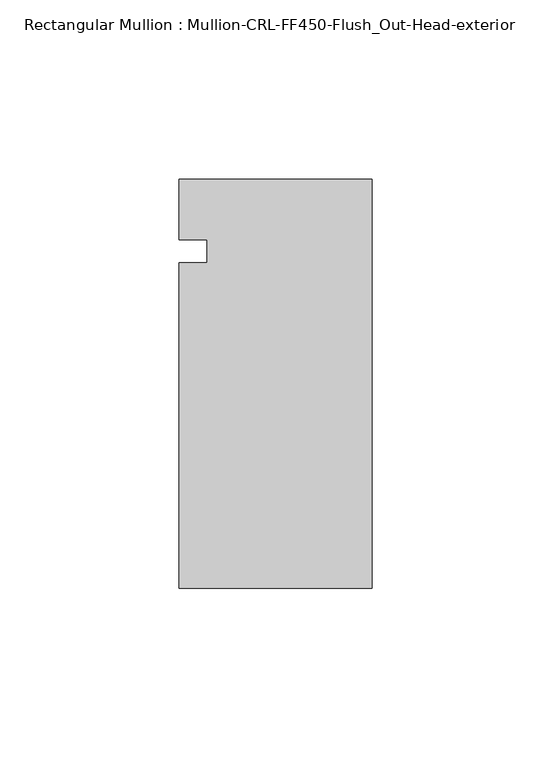
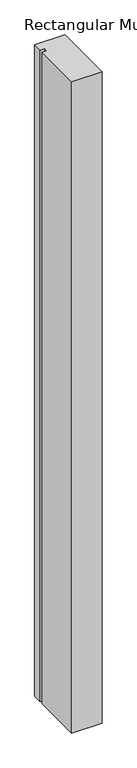
"""IFC4 building model written with IfcOpenShell, lengths in millimetres: member geometry, Rectangular Mullion : Mullion-CRL-FF450-Flush_Out-Head-exterior."""

import ifcopenshell
import ifcopenshell.guid

model = None  # the IFC model being written
_history = None  # IfcOwnerHistory: only IFC2X3 demands one
_inside = {}  # id of a spatial element -> (the spatial element, [elements in it])
_under = {}  # id of a project, library or spatial element -> (it, [spatial elements below it])
_declared = {}  # id of a project -> (the project, [libraries it declares])
_typed = {}  # id of a type object -> (the type object, [elements of that type])
_made_of = {}  # id of a material, layer set ... -> (it, [elements and type objects made of it])


def new_model(schema):
    """Start an empty IFC model of exactly this schema.

    Asked for "IFC4X3", IfcOpenShell would pick the latest addendum, in which some entities
    have other attributes; the version numbers below select the first issue.
    IFC2X3 requires an IfcOwnerHistory on every rooted entity: one is made here for all.
    """
    global model, _history
    if schema == "IFC4X3":
        model = ifcopenshell.file(schema_version=(4, 3, 0, 0))
    else:
        model = ifcopenshell.file(schema=schema)
    _inside.clear()
    _under.clear()
    _declared.clear()
    _typed.clear()
    _made_of.clear()
    _history = None
    if model.schema == "IFC2X3":
        org = make("IfcOrganization", Name="unknown")
        user = make(
            "IfcPersonAndOrganization",
            ThePerson=make("IfcPerson", FamilyName="unknown"),
            TheOrganization=org,
        )
        app = make(
            "IfcApplication",
            ApplicationDeveloper=org,
            Version="unknown",
            ApplicationFullName="unknown",
            ApplicationIdentifier="unknown",
        )
        _history = make(
            "IfcOwnerHistory",
            OwningUser=user,
            OwningApplication=app,
            ChangeAction="ADDED",
            CreationDate=0,
        )
    return model


def make(cls, **values):
    """One entity of the class cls with the attributes given. An attribute that is None is left unset."""
    return model.create_entity(
        cls, **{name: value for name, value in values.items() if value is not None}
    )


def rooted(cls, **values):
    """An entity with a GlobalId (a new one), such as an element, a storey or a relation."""
    return make(cls, GlobalId=ifcopenshell.guid.new(), OwnerHistory=_history, **values)


def si_unit(unit_type, name, prefix=None):
    """IfcSIUnit, for example si_unit("LENGTHUNIT", "METRE", prefix="MILLI")."""
    return make("IfcSIUnit", UnitType=unit_type, Prefix=prefix, Name=name)


def assignment(units):
    """IfcUnitAssignment: the units of a project."""
    return None if units is None else make("IfcUnitAssignment", Units=units)


def point(xyz):
    """IfcCartesianPoint."""
    return None if xyz is None else make("IfcCartesianPoint", Coordinates=xyz)


def direction(xyz):
    """IfcDirection."""
    return None if xyz is None else make("IfcDirection", DirectionRatios=xyz)


def frame(location, z_axis=None, x_axis=None):
    """IfcAxis2Placement3D, a coordinate frame: its origin and axes. An axis left out is left unset."""
    return make(
        "IfcAxis2Placement3D",
        Location=point(location),
        Axis=direction(z_axis),
        RefDirection=direction(x_axis),
    )


def origin():
    """The frame at (0, 0, 0) with its axes left unset."""
    return frame((0.0, 0.0, 0.0))


def place(relative_to, where):
    """IfcLocalPlacement: puts the frame where relative to a parent placement (None: the world)."""
    return make(
        "IfcLocalPlacement", PlacementRelTo=relative_to, RelativePlacement=where
    )


def context(
    kind, dimensions, precision=None, world=None, true_north=None, identifier=None
):
    """IfcGeometricRepresentationContext, for example the 3D "Model" context."""
    return make(
        "IfcGeometricRepresentationContext",
        ContextIdentifier=identifier,
        ContextType=kind,
        CoordinateSpaceDimension=dimensions,
        Precision=precision,
        WorldCoordinateSystem=world,
        TrueNorth=true_north,
    )


def project(units=None, contexts=None):
    """IfcProject with its units and contexts."""
    return rooted(
        "IfcProject",
        Name="project",
        RepresentationContexts=contexts,
        UnitsInContext=assignment(units),
    )


def spatial(cls, under=None, at=None, **own):
    """A site, building, storey or space (cls), placed at a placement, below another one or the project."""
    s = rooted(cls, ObjectPlacement=at, **own)
    if under is not None:
        _under.setdefault(under.id(), (under, []))[1].append(s)
    return s


def polyline(points):
    """IfcPolyline through the points."""
    return make("IfcPolyline", Points=[point(p) for p in points])


def outline(outer, holes=None, kind="AREA"):
    """IfcArbitraryClosedProfileDef: a profile drawn as a closed curve; with holes, ...WithVoids."""
    if holes is None:
        return make("IfcArbitraryClosedProfileDef", ProfileType=kind, OuterCurve=outer)
    return make(
        "IfcArbitraryProfileDefWithVoids",
        ProfileType=kind,
        OuterCurve=outer,
        InnerCurves=holes,
    )


def extrude(swept, where, along, depth):
    """IfcExtrudedAreaSolid: the profile swept, set in the frame where, extruded along a direction by depth."""
    return make(
        "IfcExtrudedAreaSolid",
        SweptArea=swept,
        Position=where,
        ExtrudedDirection=direction(along),
        Depth=depth,
    )


def shape(context_of_items, identifier, shape_type, items):
    """IfcShapeRepresentation: the items that make up one representation, for example the "Body"."""
    return make(
        "IfcShapeRepresentation",
        ContextOfItems=context_of_items,
        RepresentationIdentifier=identifier,
        RepresentationType=shape_type,
        Items=items,
    )


def source(mapping_origin, context_of_items, identifier, shape_type, items):
    """IfcRepresentationMap: a shape defined once, which mapped items show again and again."""
    return make(
        "IfcRepresentationMap",
        MappingOrigin=mapping_origin,
        MappedRepresentation=shape(context_of_items, identifier, shape_type, items),
    )


def transform(
    local_origin,
    x_axis=None,
    y_axis=None,
    z_axis=None,
    scale=None,
    scale2=None,
    scale3=None,
    uniform=True,
):
    """IfcCartesianTransformationOperator3D, or its non-uniform kind. x_axis, y_axis, z_axis: its Axis1, 2, 3."""
    if uniform:
        return make(
            "IfcCartesianTransformationOperator3D",
            Axis1=direction(x_axis),
            Axis2=direction(y_axis),
            LocalOrigin=point(local_origin),
            Scale=scale,
            Axis3=direction(z_axis),
        )
    return make(
        "IfcCartesianTransformationOperator3DnonUniform",
        Axis1=direction(x_axis),
        Axis2=direction(y_axis),
        LocalOrigin=point(local_origin),
        Scale=scale,
        Axis3=direction(z_axis),
        Scale2=scale2,
        Scale3=scale3,
    )


def mapped(mapping_source, mapping_target):
    """IfcMappedItem: shows the shape of a source again, moved by a transform."""
    return make(
        "IfcMappedItem", MappingSource=mapping_source, MappingTarget=mapping_target
    )


def made_of(thing, what):
    """Note that an element or type object is made of a material, layer set ...; save() writes the relation."""
    if what is not None:
        _made_of.setdefault(what.id(), (what, []))[1].append(thing)
    return thing


def element(
    cls,
    number,
    at=None,
    inside=None,
    cuts=None,
    type_object=None,
    material=None,
    context=None,
    identifier="Body",
    shape_type=None,
    held_by="IfcProductDefinitionShape",
    body=None,
    shapes=None,
    **own,
):
    """One element of the class cls, such as IfcWall. Its Tag is "e" and its number.

    at: its placement. inside: the storey or other place that contains it. cuts: it is an
    opening in that element (IfcRelVoidsElement). A single representation is given by context,
    identifier, shape_type and body (its items); several are given by shapes. held_by: the class
    of the entity that holds the representations. save() writes the other relations.
    """
    e = rooted(cls, Tag="e%d" % number, ObjectPlacement=at, **own)
    if body is not None:
        shapes = [shape(context, identifier, shape_type, body)]
    if shapes is not None:
        e.Representation = make(held_by, Representations=shapes)
    if inside is not None:
        _inside.setdefault(inside.id(), (inside, []))[1].append(e)
    if cuts is not None:
        rooted(
            "IfcRelVoidsElement", RelatingBuildingElement=cuts, RelatedOpeningElement=e
        )
    if type_object is not None:
        _typed.setdefault(type_object.id(), (type_object, []))[1].append(e)
    return made_of(e, material)


def aggregate(whole, parts):
    """IfcRelAggregates: a whole, such as a stair, and the parts it consists of."""
    return rooted("IfcRelAggregates", RelatingObject=whole, RelatedObjects=parts)


def save(model, path):
    """Write the relations noted so far, then the file.

    IfcRelAggregates (storeys below a building ...), IfcRelContainedInSpatialStructure (elements
    in a storey), IfcRelDefinesByType, IfcRelAssociatesMaterial and IfcRelDeclares: one each for
    every whole, place, type object, material and project.
    """
    for whole, parts in _under.values():
        aggregate(whole, parts)
    for where, things in _inside.values():
        rooted(
            "IfcRelContainedInSpatialStructure",
            RelatedElements=things,
            RelatingStructure=where,
        )
    for kind, things in _typed.values():
        rooted("IfcRelDefinesByType", RelatedObjects=things, RelatingType=kind)
    for what, things in _made_of.values():
        rooted("IfcRelAssociatesMaterial", RelatedObjects=things, RelatingMaterial=what)
    for by, libraries in _declared.values():
        rooted("IfcRelDeclares", RelatingContext=by, RelatedDefinitions=libraries)
    model.write(path)


def rectangular_mullion_mullion_crl_ff450_flush_out_head_64e3dd7c(model_context):
    return source(origin(), model_context, "Body", "SweptSolid", [
        extrude(outline(polyline([(0.0, 20.160815), (0.0, -94.1210236), (-53.9750401, -94.1210236), (-53.9750401, -3.1555912), (-46.0375401, -3.1555912), (-46.0375401, 3.1944088), (-53.9750401, 3.1944088), (-53.9750401, 20.160815), (0.0, 20.160815)])), frame((0.0, 0.0, -1226.5990292), z_axis=(0.0, 0.0, 1.0), x_axis=(1.0, 0.0, 0.0)), (0.0, 0.0, 1.0), 1226.5990292),
    ])


if __name__ == "__main__":
    model = new_model("IFC4")
    model_context = context("Model", 3, world=origin())
    ifc_project = project(units=[si_unit("LENGTHUNIT", "METRE", prefix="MILLI")], contexts=[model_context])
    site = spatial("IfcSite", under=ifc_project)
    building = spatial("IfcBuilding", under=site)
    placement = place(None, origin())
    rectangular_mullion_mullion_crl_ff450_flush_out_head_shape = rectangular_mullion_mullion_crl_ff450_flush_out_head_64e3dd7c(model_context)
    element("IfcMember", 1, ObjectType="Rectangular Mullion : Mullion-CRL-FF450-Flush_Out-Head-exterior", at=placement, inside=building, context=model_context, shape_type="MappedRepresentation", body=[
        mapped(rectangular_mullion_mullion_crl_ff450_flush_out_head_shape, transform((0.0, 0.0, 0.0), x_axis=(1.0, 0.0, 0.0), y_axis=(0.0, 1.0, 0.0), z_axis=(0.0, 0.0, 1.0))),
    ])
    save(model, "model.ifc")
